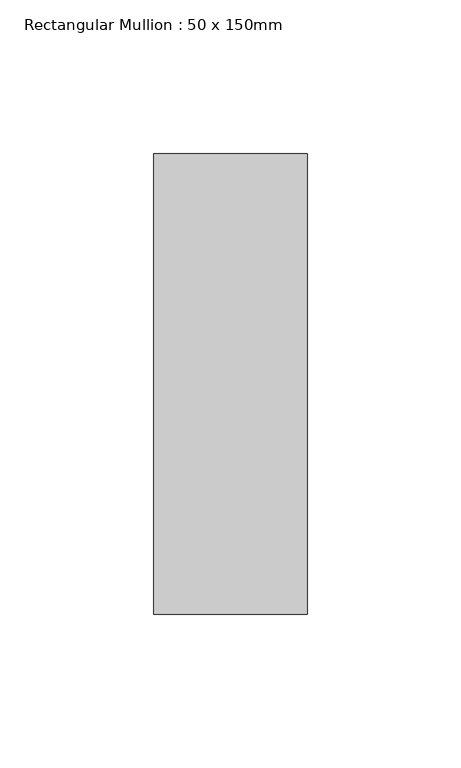
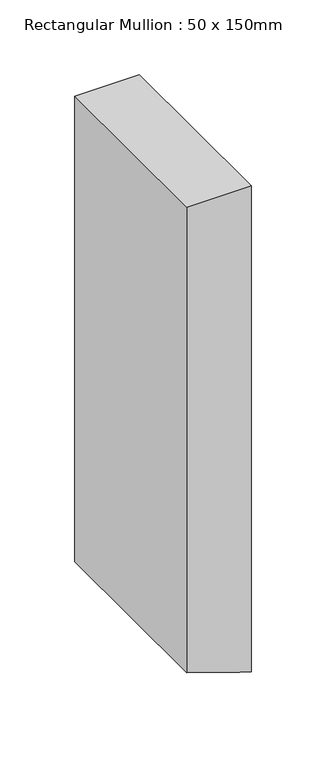
"""IFC4 building model written with IfcOpenShell, lengths in millimetres: member geometry, Rectangular Mullion : 50 x 150mm."""

import ifcopenshell
import ifcopenshell.guid

model = None  # the IFC model being written
_history = None  # IfcOwnerHistory: only IFC2X3 demands one
_inside = {}  # id of a spatial element -> (the spatial element, [elements in it])
_under = {}  # id of a project, library or spatial element -> (it, [spatial elements below it])
_declared = {}  # id of a project -> (the project, [libraries it declares])
_typed = {}  # id of a type object -> (the type object, [elements of that type])
_made_of = {}  # id of a material, layer set ... -> (it, [elements and type objects made of it])


def new_model(schema):
    """Start an empty IFC model of exactly this schema.

    Asked for "IFC4X3", IfcOpenShell would pick the latest addendum, in which some entities
    have other attributes; the version numbers below select the first issue.
    IFC2X3 requires an IfcOwnerHistory on every rooted entity: one is made here for all.
    """
    global model, _history
    if schema == "IFC4X3":
        model = ifcopenshell.file(schema_version=(4, 3, 0, 0))
    else:
        model = ifcopenshell.file(schema=schema)
    _inside.clear()
    _under.clear()
    _declared.clear()
    _typed.clear()
    _made_of.clear()
    _history = None
    if model.schema == "IFC2X3":
        org = make("IfcOrganization", Name="unknown")
        user = make(
            "IfcPersonAndOrganization",
            ThePerson=make("IfcPerson", FamilyName="unknown"),
            TheOrganization=org,
        )
        app = make(
            "IfcApplication",
            ApplicationDeveloper=org,
            Version="unknown",
            ApplicationFullName="unknown",
            ApplicationIdentifier="unknown",
        )
        _history = make(
            "IfcOwnerHistory",
            OwningUser=user,
            OwningApplication=app,
            ChangeAction="ADDED",
            CreationDate=0,
        )
    return model


def make(cls, **values):
    """One entity of the class cls with the attributes given. An attribute that is None is left unset."""
    return model.create_entity(
        cls, **{name: value for name, value in values.items() if value is not None}
    )


def rooted(cls, **values):
    """An entity with a GlobalId (a new one), such as an element, a storey or a relation."""
    return make(cls, GlobalId=ifcopenshell.guid.new(), OwnerHistory=_history, **values)


def si_unit(unit_type, name, prefix=None):
    """IfcSIUnit, for example si_unit("LENGTHUNIT", "METRE", prefix="MILLI")."""
    return make("IfcSIUnit", UnitType=unit_type, Prefix=prefix, Name=name)


def assignment(units):
    """IfcUnitAssignment: the units of a project."""
    return None if units is None else make("IfcUnitAssignment", Units=units)


def point(xyz):
    """IfcCartesianPoint."""
    return None if xyz is None else make("IfcCartesianPoint", Coordinates=xyz)


def direction(xyz):
    """IfcDirection."""
    return None if xyz is None else make("IfcDirection", DirectionRatios=xyz)


def frame(location, z_axis=None, x_axis=None):
    """IfcAxis2Placement3D, a coordinate frame: its origin and axes. An axis left out is left unset."""
    return make(
        "IfcAxis2Placement3D",
        Location=point(location),
        Axis=direction(z_axis),
        RefDirection=direction(x_axis),
    )


def frame_2d(location, x_axis=None):
    """IfcAxis2Placement2D, a coordinate frame in the plane: its origin and x axis."""
    return make(
        "IfcAxis2Placement2D", Location=point(location), RefDirection=direction(x_axis)
    )


def origin():
    """The frame at (0, 0, 0) with its axes left unset."""
    return frame((0.0, 0.0, 0.0))


def place(relative_to, where):
    """IfcLocalPlacement: puts the frame where relative to a parent placement (None: the world)."""
    return make(
        "IfcLocalPlacement", PlacementRelTo=relative_to, RelativePlacement=where
    )


def context(
    kind, dimensions, precision=None, world=None, true_north=None, identifier=None
):
    """IfcGeometricRepresentationContext, for example the 3D "Model" context."""
    return make(
        "IfcGeometricRepresentationContext",
        ContextIdentifier=identifier,
        ContextType=kind,
        CoordinateSpaceDimension=dimensions,
        Precision=precision,
        WorldCoordinateSystem=world,
        TrueNorth=true_north,
    )


def project(units=None, contexts=None):
    """IfcProject with its units and contexts."""
    return rooted(
        "IfcProject",
        Name="project",
        RepresentationContexts=contexts,
        UnitsInContext=assignment(units),
    )


def spatial(cls, under=None, at=None, **own):
    """A site, building, storey or space (cls), placed at a placement, below another one or the project."""
    s = rooted(cls, ObjectPlacement=at, **own)
    if under is not None:
        _under.setdefault(under.id(), (under, []))[1].append(s)
    return s


def polyline(points):
    """IfcPolyline through the points."""
    return make("IfcPolyline", Points=[point(p) for p in points])


def circle_curve(where, radius):
    """IfcCircle in the frame where."""
    return make("IfcCircle", Position=where, Radius=radius)


def trimmed(basis, trim1, trim2, sense, master):
    """IfcTrimmedCurve: the piece of a basis curve between two trims."""
    return make(
        "IfcTrimmedCurve",
        BasisCurve=basis,
        Trim1=trim1,
        Trim2=trim2,
        SenseAgreement=sense,
        MasterRepresentation=master,
    )


def segment(curve, same_sense, transition):
    """IfcCompositeCurveSegment."""
    return make(
        "IfcCompositeCurveSegment",
        Transition=transition,
        SameSense=same_sense,
        ParentCurve=curve,
    )


def composite_curve(segments, self_intersect=None):
    """IfcCompositeCurve: segments joined end to end."""
    return make("IfcCompositeCurve", Segments=segments, SelfIntersect=self_intersect)


def outline(outer, holes=None, kind="AREA"):
    """IfcArbitraryClosedProfileDef: a profile drawn as a closed curve; with holes, ...WithVoids."""
    if holes is None:
        return make("IfcArbitraryClosedProfileDef", ProfileType=kind, OuterCurve=outer)
    return make(
        "IfcArbitraryProfileDefWithVoids",
        ProfileType=kind,
        OuterCurve=outer,
        InnerCurves=holes,
    )


def extrude(swept, where, along, depth):
    """IfcExtrudedAreaSolid: the profile swept, set in the frame where, extruded along a direction by depth."""
    return make(
        "IfcExtrudedAreaSolid",
        SweptArea=swept,
        Position=where,
        ExtrudedDirection=direction(along),
        Depth=depth,
    )


def shape(context_of_items, identifier, shape_type, items):
    """IfcShapeRepresentation: the items that make up one representation, for example the "Body"."""
    return make(
        "IfcShapeRepresentation",
        ContextOfItems=context_of_items,
        RepresentationIdentifier=identifier,
        RepresentationType=shape_type,
        Items=items,
    )


def source(mapping_origin, context_of_items, identifier, shape_type, items):
    """IfcRepresentationMap: a shape defined once, which mapped items show again and again."""
    return make(
        "IfcRepresentationMap",
        MappingOrigin=mapping_origin,
        MappedRepresentation=shape(context_of_items, identifier, shape_type, items),
    )


def transform(
    local_origin,
    x_axis=None,
    y_axis=None,
    z_axis=None,
    scale=None,
    scale2=None,
    scale3=None,
    uniform=True,
):
    """IfcCartesianTransformationOperator3D, or its non-uniform kind. x_axis, y_axis, z_axis: its Axis1, 2, 3."""
    if uniform:
        return make(
            "IfcCartesianTransformationOperator3D",
            Axis1=direction(x_axis),
            Axis2=direction(y_axis),
            LocalOrigin=point(local_origin),
            Scale=scale,
            Axis3=direction(z_axis),
        )
    return make(
        "IfcCartesianTransformationOperator3DnonUniform",
        Axis1=direction(x_axis),
        Axis2=direction(y_axis),
        LocalOrigin=point(local_origin),
        Scale=scale,
        Axis3=direction(z_axis),
        Scale2=scale2,
        Scale3=scale3,
    )


def mapped(mapping_source, mapping_target):
    """IfcMappedItem: shows the shape of a source again, moved by a transform."""
    return make(
        "IfcMappedItem", MappingSource=mapping_source, MappingTarget=mapping_target
    )


def made_of(thing, what):
    """Note that an element or type object is made of a material, layer set ...; save() writes the relation."""
    if what is not None:
        _made_of.setdefault(what.id(), (what, []))[1].append(thing)
    return thing


def element(
    cls,
    number,
    at=None,
    inside=None,
    cuts=None,
    type_object=None,
    material=None,
    context=None,
    identifier="Body",
    shape_type=None,
    held_by="IfcProductDefinitionShape",
    body=None,
    shapes=None,
    **own,
):
    """One element of the class cls, such as IfcWall. Its Tag is "e" and its number.

    at: its placement. inside: the storey or other place that contains it. cuts: it is an
    opening in that element (IfcRelVoidsElement). A single representation is given by context,
    identifier, shape_type and body (its items); several are given by shapes. held_by: the class
    of the entity that holds the representations. save() writes the other relations.
    """
    e = rooted(cls, Tag="e%d" % number, ObjectPlacement=at, **own)
    if body is not None:
        shapes = [shape(context, identifier, shape_type, body)]
    if shapes is not None:
        e.Representation = make(held_by, Representations=shapes)
    if inside is not None:
        _inside.setdefault(inside.id(), (inside, []))[1].append(e)
    if cuts is not None:
        rooted(
            "IfcRelVoidsElement", RelatingBuildingElement=cuts, RelatedOpeningElement=e
        )
    if type_object is not None:
        _typed.setdefault(type_object.id(), (type_object, []))[1].append(e)
    return made_of(e, material)


def aggregate(whole, parts):
    """IfcRelAggregates: a whole, such as a stair, and the parts it consists of."""
    return rooted("IfcRelAggregates", RelatingObject=whole, RelatedObjects=parts)


def save(model, path):
    """Write the relations noted so far, then the file.

    IfcRelAggregates (storeys below a building ...), IfcRelContainedInSpatialStructure (elements
    in a storey), IfcRelDefinesByType, IfcRelAssociatesMaterial and IfcRelDeclares: one each for
    every whole, place, type object, material and project.
    """
    for whole, parts in _under.values():
        aggregate(whole, parts)
    for where, things in _inside.values():
        rooted(
            "IfcRelContainedInSpatialStructure",
            RelatedElements=things,
            RelatingStructure=where,
        )
    for kind, things in _typed.values():
        rooted("IfcRelDefinesByType", RelatedObjects=things, RelatingType=kind)
    for what, things in _made_of.values():
        rooted("IfcRelAssociatesMaterial", RelatedObjects=things, RelatingMaterial=what)
    for by, libraries in _declared.values():
        rooted("IfcRelDeclares", RelatingContext=by, RelatedDefinitions=libraries)
    model.write(path)


def rectangular_mullion_50_x_150mm_1b02ad5f(model_context):
    return source(origin(), model_context, "Body", "SweptSolid", [
        extrude(outline(composite_curve([segment(polyline([(0.0, 25.0), (0.0, -25.0), (-381.0341974, -25.0)]), True, "CONTINUOUS"), segment(trimmed(circle_curve(frame_2d((-4385.9328623, -1333.9358208)), 4213.3746925), [point((-381.0341974, -25.0))], [point((-394.6741777, 16.0198867))], True, "CARTESIAN"), True, "CONTINUOUS"), segment(trimmed(circle_curve(frame_2d((-4385.9328623, -1333.9358208)), 4213.3746925), [point((-394.6741777, 16.0198867))], [point((-397.7227707, 25.0))], True, "CARTESIAN"), True, "CONTINUOUS"), segment(polyline([(-397.7227707, 25.0), (0.0, 25.0)]), True, "CONTINUOUS")], self_intersect=False)), frame((0.0, -75.0, 0.0), z_axis=(0.0, 1.0, 0.0), x_axis=(0.0, 0.0, 1.0)), (0.0, 0.0, 1.0), 150.0),
    ])


if __name__ == "__main__":
    model = new_model("IFC4")
    model_context = context("Model", 3, world=origin())
    ifc_project = project(units=[si_unit("LENGTHUNIT", "METRE", prefix="MILLI")], contexts=[model_context])
    site = spatial("IfcSite", under=ifc_project)
    building = spatial("IfcBuilding", under=site)
    placement = place(None, origin())
    rectangular_mullion_50_x_150mm_shape = rectangular_mullion_50_x_150mm_1b02ad5f(model_context)
    element("IfcMember", 1, ObjectType="Rectangular Mullion : 50 x 150mm", at=placement, inside=building, context=model_context, shape_type="MappedRepresentation", body=[
        mapped(rectangular_mullion_50_x_150mm_shape, transform((0.0, 0.0, 0.0), x_axis=(1.0, 0.0, 0.0), y_axis=(0.0, 1.0, 0.0), z_axis=(0.0, 0.0, 1.0))),
    ])
    save(model, "model.ifc")
